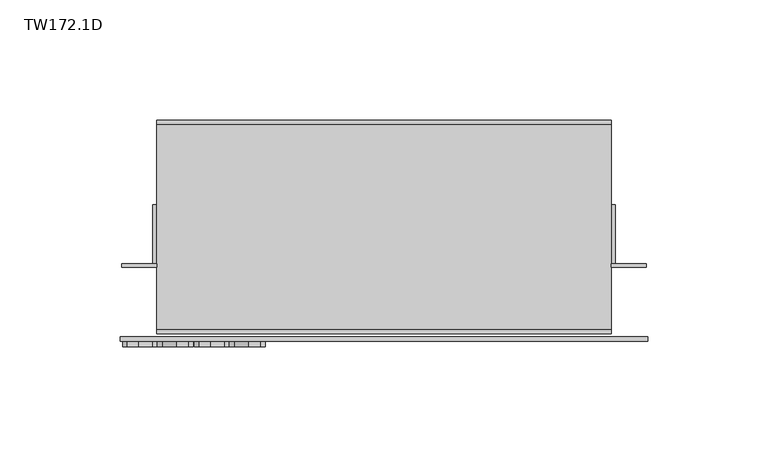
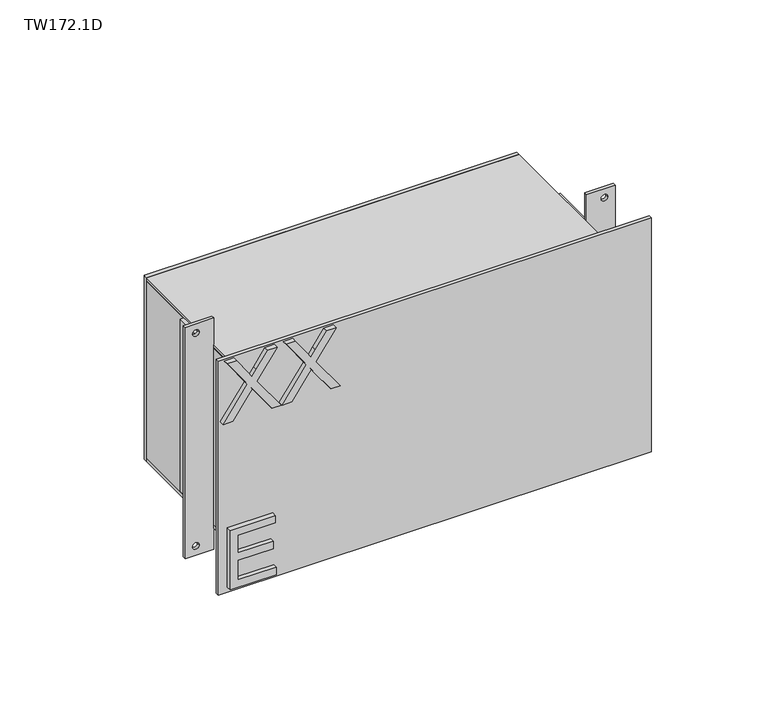
"""IFC4 building model written with IfcOpenShell, lengths in millimetres: furniture geometry, TW172.1D."""

from ifc_helpers import new_model, si_unit, point, frame, frame_2d, origin, place, context, project, spatial, polyline, circle_curve, trimmed, segment, composite_curve, outline, extrude, source, transform, mapped, element, save


def tw172_1d_efdf1a0b(model_context):
    return source(origin(), model_context, "Body", "SweptSolid", [
        extrude(outline(polyline([(1479.768904, -86.6045977), (1479.768904, -63.1817963), (1483.7557638, -63.1817963), (1483.7557638, -82.6177379), (1494.2212708, -82.6177379), (1494.2212708, -64.6768688), (1498.2081307, -64.6768688), (1498.2081307, -82.6177379), (1507.6769227, -82.6177379), (1507.6769227, -63.6801538), (1511.6637825, -63.6801538), (1511.6637825, -86.6045977), (1479.768904, -86.6045977)])), frame((0.0, -30.559375, 0.0), z_axis=(0.0, 1.0, 0.0), x_axis=(0.0, 0.0, 1.0)), (0.0, 0.0, 1.0), 2.38125),
        extrude(outline(polyline([(1569.7312599, -90.0931001), (1569.7312599, -85.2419015), (1581.0533188, -77.2448214), (1583.6852692, -75.368194), (1581.2869238, -73.662877), (1569.7312599, -65.471126), (1569.7312599, -60.690009), (1587.0647558, -72.9854223), (1601.6261383, -62.6834389), (1601.6261383, -67.5346374), (1593.5122557, -73.2735352), (1590.2729321, -75.5628649), (1593.4577478, -77.5173606), (1601.6261383, -83.3185531), (1601.6261383, -88.0996701), (1587.1114768, -77.7976867), (1569.7312599, -90.0931001)])), frame((0.0, -30.559375, 0.0), z_axis=(0.0, 1.0, 0.0), x_axis=(0.0, 0.0, 1.0)), (0.0, 0.0, 1.0), 2.38125),
        extrude(outline(polyline([(1569.7312599, -60.1916515), (1569.7312599, -55.3404529), (1581.0533188, -47.3433728), (1583.6852692, -45.4667454), (1581.2869238, -43.7614284), (1569.7312599, -35.5696774), (1569.7312599, -30.7885604), (1587.0647558, -43.0839738), (1601.6261383, -32.7819903), (1601.6261383, -37.6331889), (1593.5122557, -43.3720867), (1590.2729321, -45.6614163), (1593.4577478, -47.615912), (1601.6261383, -53.4171045), (1601.6261383, -58.1982216), (1587.1114768, -47.8962381), (1569.7312599, -60.1916515)])), frame((0.0, -30.559375, 0.0), z_axis=(0.0, 1.0, 0.0), x_axis=(0.0, 0.0, 1.0)), (0.0, 0.0, 1.0), 2.38125),
        extrude(outline(polyline([(113.2435643, -25.1023438), (-75.7681545, -25.1023437), (-75.7681545, -23.5148437), (113.2435643, -23.5148437), (113.2435643, -25.1023438)])), frame((0.0, 0.0, 1574.72888), z_axis=(0.0, 0.0, 1.0), x_axis=(1.0, 0.0, 0.0)), (0.0, 0.0, 1.0), 12.7),
        extrude(outline(polyline([(113.2435643, -25.1023438), (-75.7681545, -25.1023437), (-75.7681545, -23.5148437), (113.2435643, -23.5148437), (113.2435643, -25.1023438)])), frame((0.0, 0.0, 1489.00388), z_axis=(0.0, 0.0, 1.0), x_axis=(1.0, 0.0, 0.0)), (0.0, 0.0, 1.0), 12.7),
        extrude(outline(polyline([(113.2435643, 63.7976562), (113.2435643, 62.0117187), (-75.7681545, 62.0117187), (-75.7681545, 63.7976562), (113.2435643, 63.7976562)])), frame((0.0, 0.0, 1489.00388), z_axis=(0.0, 0.0, 1.0), x_axis=(1.0, 0.0, 0.0)), (0.0, 0.0, 1.0), 98.425),
        extrude(outline(polyline([(-73.982217, -23.5148437), (-75.7681545, -23.5148437), (-75.7681545, 62.0117188), (-73.982217, 62.0117188), (-73.982217, -23.5148437)])), frame((0.0, 0.0, 1490.7898175), z_axis=(0.0, 0.0, 1.0), x_axis=(1.0, 0.0, 0.0)), (0.0, 0.0, 1.0), 94.853125),
        extrude(outline(polyline([(113.2435643, -23.5148437), (111.4576268, -23.5148437), (111.4576268, 62.0117187), (113.2435643, 62.0117187), (113.2435643, -23.5148437)])), frame((0.0, 0.0, 1490.7898175), z_axis=(0.0, 0.0, 1.0), x_axis=(1.0, 0.0, 0.0)), (0.0, 0.0, 1.0), 94.853125),
        extrude(outline(polyline([(113.2435643, -23.5148437), (-75.7681545, -23.5148437), (-75.7681545, 62.0117188), (113.2435643, 62.0117187), (113.2435643, -23.5148437)])), frame((0.0, 0.0, 1585.6429425), z_axis=(0.0, 0.0, 1.0), x_axis=(1.0, 0.0, 0.0)), (0.0, 0.0, 1.0), 1.7859375),
        extrude(outline(polyline([(113.2435643, -23.5148437), (-75.7681545, -23.5148437), (-75.7681545, 62.0117188), (113.2435643, 62.0117187), (113.2435643, -23.5148437)])), frame((0.0, 0.0, 1489.00388), z_axis=(0.0, 0.0, 1.0), x_axis=(1.0, 0.0, 0.0)), (0.0, 0.0, 1.0), 1.7859375),
        extrude(outline(polyline([(-75.7681545, 28.6742188), (-75.7681545, 4.0679688), (-77.554092, 4.0679688), (-77.554092, 28.6742188), (-75.7681545, 28.6742188)])), frame((0.0, 0.0, 1493.76638), z_axis=(0.0, 0.0, 1.0), x_axis=(1.0, 0.0, 0.0)), (0.0, 0.0, 1.0), 92.1742187),
        extrude(outline(polyline([(115.0295018, 28.6742188), (115.0295018, 4.0679688), (113.2435643, 4.0679688), (113.2435643, 28.6742188), (115.0295018, 28.6742188)])), frame((0.0, 0.0, 1493.76638), z_axis=(0.0, 0.0, 1.0), x_axis=(1.0, 0.0, 0.0)), (0.0, 0.0, 1.0), 92.1742187),
        extrude(outline(polyline([(1601.8155987, -75.7681545), (1601.8155987, -90.3533107), (1477.89138, -90.3533107), (1477.89138, -75.7681545), (1601.8155987, -75.7681545)]), holes=[composite_curve([segment(trimmed(circle_curve(frame_2d((1596.95388, -84.8962795)), 1.6867188), [point((1596.95388, -86.5829982))], [point((1596.95388, -83.2095607))], True, "CARTESIAN"), True, "CONTINUOUS"), segment(trimmed(circle_curve(frame_2d((1596.95388, -84.8962795)), 1.6867188), [point((1596.95388, -83.2095607))], [point((1596.95388, -86.5829982))], True, "CARTESIAN"), True, "CONTINUOUS")], self_intersect=False), composite_curve([segment(trimmed(circle_curve(frame_2d((1482.7530988, -84.8962795)), 1.6867188), [point((1482.7530988, -86.5829982))], [point((1482.7530988, -83.2095607))], True, "CARTESIAN"), True, "CONTINUOUS"), segment(trimmed(circle_curve(frame_2d((1482.7530988, -84.8962795)), 1.6867188), [point((1482.7530988, -83.2095607))], [point((1482.7530988, -86.5829982))], True, "CARTESIAN"), True, "CONTINUOUS")], self_intersect=False)]), frame((0.0, 2.4804688, 0.0), z_axis=(0.0, 1.0, 0.0), x_axis=(0.0, 0.0, 1.0)), (0.0, 0.0, 1.0), 1.5875),
        extrude(outline(polyline([(1601.8155987, 127.8287205), (1601.8155987, 113.2435643), (1477.89138, 113.2435643), (1477.89138, 127.8287205), (1601.8155987, 127.8287205)]), holes=[composite_curve([segment(trimmed(circle_curve(frame_2d((1596.95388, 122.3716893)), 1.6867188), [point((1596.95388, 120.6849705))], [point((1596.95388, 124.058408))], True, "CARTESIAN"), True, "CONTINUOUS"), segment(trimmed(circle_curve(frame_2d((1596.95388, 122.3716893)), 1.6867188), [point((1596.95388, 124.058408))], [point((1596.95388, 120.6849705))], True, "CARTESIAN"), True, "CONTINUOUS")], self_intersect=False), composite_curve([segment(trimmed(circle_curve(frame_2d((1482.7530988, 122.3716893)), 1.6867188), [point((1482.7530988, 120.6849705))], [point((1482.7530988, 124.058408))], True, "CARTESIAN"), True, "CONTINUOUS"), segment(trimmed(circle_curve(frame_2d((1482.7530988, 122.3716893)), 1.6867188), [point((1482.7530988, 124.058408))], [point((1482.7530988, 120.6849705))], True, "CARTESIAN"), True, "CONTINUOUS")], self_intersect=False)]), frame((0.0, 2.4804688, 0.0), z_axis=(0.0, 1.0, 0.0), x_axis=(0.0, 0.0, 1.0)), (0.0, 0.0, 1.0), 1.5875),
        extrude(outline(polyline([(128.5728612, -28.178125), (-91.0974513, -28.178125), (-91.0974513, -26.2929687), (128.5728612, -26.2929687), (128.5728612, -28.178125)])), frame((0.0, 0.0, 1477.09763), z_axis=(0.0, 0.0, 1.0), x_axis=(1.0, 0.0, 0.0)), (0.0, 0.0, 1.0), 125.5117188),
    ])


if __name__ == "__main__":
    model = new_model("IFC4")
    model_context = context("Model", 3, world=origin())
    ifc_project = project(units=[si_unit("LENGTHUNIT", "METRE", prefix="MILLI")], contexts=[model_context])
    site = spatial("IfcSite", under=ifc_project)
    building = spatial("IfcBuilding", under=site)
    placement = place(None, origin())
    tw172_1d_shape = tw172_1d_efdf1a0b(model_context)
    element("IfcFurniture", 1, ObjectType="TW172.1D", at=placement, inside=building, context=model_context, shape_type="MappedRepresentation", body=[
        mapped(tw172_1d_shape, transform((0.0, 0.0, 0.0), x_axis=(1.0, 0.0, 0.0), y_axis=(0.0, 1.0, 0.0), z_axis=(0.0, 0.0, 1.0))),
    ])
    save(model, "model.ifc")
